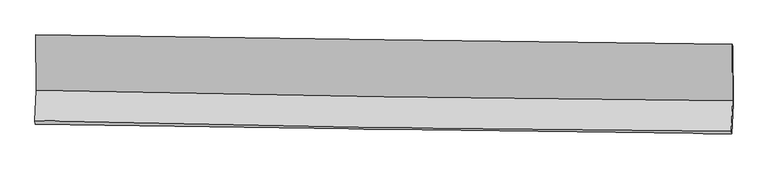
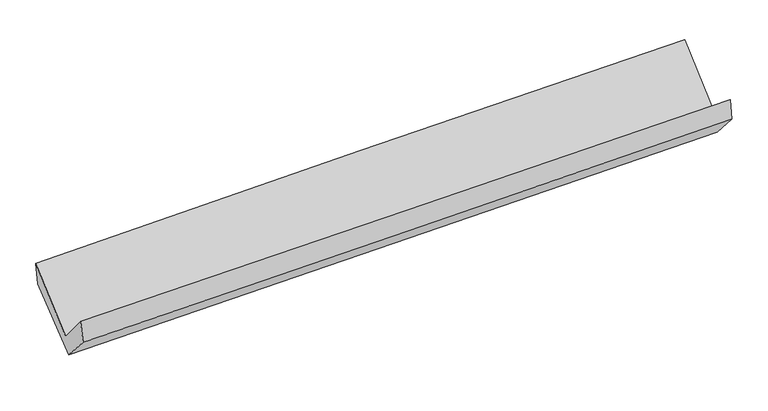
"""IFC4 building model written with IfcOpenShell, lengths in millimetres: proxy geometry."""

from ifc_helpers import new_model, si_unit, frame, origin, place, context, project, spatial, source, transform, mapped, element, save
from ifc_brep_helpers import plane_surface, spline_curve, spline_surface, advanced_brep


def generic_models_2295afde(model_context):
    return source(origin(), model_context, "Body", "AdvancedBrep", [
        advanced_brep(
        [(-3027.4682922, -1183.6363618, 2162.8177204), (-3024.7631484, -1663.5034064, 1730.2011027), (3015.9305013, -1754.6377906, 1874.6737631), (3013.1598387, -1263.1483435, 2317.7683757), (-3036.209944, -1926.4155865, 2041.0140813), (3004.3499187, -2020.6228126, 2189.1194343), (-3032.2681683, -1959.4257684, 1852.1142427), (3008.4145597, -2041.7425048, 2002.8928391), (-3021.6954158, -1706.5505081, 1571.6860343), (3019.1367904, -1785.2920788, 1718.4999199), (-3023.2932776, -1205.8131906, 1971.2137282), (3017.5389286, -1284.5547614, 2118.0276137)],
        [
            (0, 1),
            (1, 2, spline_curve(3, [(-3024.7631484, -1663.5034064, 1730.2011027), (-2018.186307964, -1685.855520102, 1758.153975563), (-1011.5057587, -1704.626116867, 1784.169820035), (1002.058792295, -1735.004216905, 1832.327358321), (2008.94279288, -1746.611747962, 1854.469067218), (3015.9305013, -1754.6377906, 1874.6737631)], [4, 2, 4], [0.0, 9.913358653920362, 19.82667826028467])),
            (2, 3),
            (3, 0, spline_curve(3, [(3013.1598387, -1263.1483435, 2317.7683757), (2006.149083134, -1251.033967228, 2301.249453039), (999.259018843, -1238.350794889, 2280.077471376), (-1014.283692405, -1211.846805313, 2228.427289901), (-2020.936338461, -1198.025983881, 2197.949052879), (-3027.4682922, -1183.6363618, 2162.8177204)], [4, 2, 4], [0.0, 9.913319606364308, 19.82667826028467])),
            (1, 4),
            (4, 5, spline_curve(3, [(-3036.209944, -1926.4155865, 2041.0140813), (-2029.798186008, -1952.55934975, 2073.449416235), (-1023.211327142, -1973.481838821, 2102.009213301), (990.308628825, -2004.884206334, 2151.37763347), (1997.241723757, -2015.36412623, 2172.186287804), (3004.3499187, -2020.6228126, 2189.1194343)], [4, 2, 4], [0.0, 9.913390615306932, 19.826742182931916])),
            (5, 2),
            (4, 6),
            (6, 7, spline_curve(3, [(-3032.2681683, -1959.4257684, 1852.1142427), (-2025.52179565, -1973.619949377, 1878.289493328), (-1018.757390454, -1987.576781198, 1903.942025217), (994.803519256, -2015.015691363, 1954.2015534), (2001.600023442, -2028.49777176, 1978.808553462), (3008.4145597, -2041.7425048, 2002.8928391)], [4, 2, 4], [0.0, 9.913324337755204, 19.82660962808952])),
            (7, 5),
            (6, 8),
            (8, 9, spline_curve(3, [(-3021.6954158, -1706.5505081, 1571.6860343), (-2014.971465927, -1721.280991355, 1598.45602193), (-1008.205815605, -1735.208041981, 1624.075527855), (1005.404920109, -1761.455225726, 1673.013480764), (2012.250005217, -1773.775365372, 1696.331936637), (3019.1367904, -1785.2920788, 1718.4999199)], [4, 2, 4], [0.0, 9.91328921674718, 19.826539386211813])),
            (9, 7),
            (8, 10),
            (10, 11, spline_curve(3, [(-3023.2932776, -1205.8131906, 1971.2137282), (-2016.577653002, -1217.934660742, 2000.065391895), (-1009.816165534, -1230.557207425, 2026.725734082), (1003.794570238, -1256.804401883, 2075.663678537), (2010.643818118, -1270.429045328, 2097.941298164), (3017.5389286, -1284.5547614, 2118.0276137)], [4, 2, 4], [0.0, 9.913302498358536, 19.826565949382207])),
            (11, 9),
            (10, 0),
            (3, 11),
        ],
        [
            spline_surface(3, 3, [[(-3027.4682922, -1183.6363618, 2162.8177204), (-2020.936338486, -1198.025983928, 2197.949052715), (-1014.283692411, -1211.846805394, 2228.427289751), (999.259018849, -1238.350794808, 2280.077471527), (2006.149083055, -1251.033967253, 2301.249452927), (3013.1598387, -1263.1483435, 2317.7683757)], [(-3026.566577585, -1343.592043353, 2018.612181163), (-2020.019661612, -1360.635829341, 2051.350693623), (-1013.357714451, -1376.10657591, 2080.341466527), (1000.192276622, -1403.901935467, 2130.827433777), (2007.080319598, -1416.226560865, 2152.322657651), (3014.083392886, -1426.978159219, 2170.070171488)], [(-3025.664863015, -1503.547724847, 1874.406641937), (-2019.102984783, -1523.245674696, 1904.752334542), (-1012.431736512, -1540.366346448, 1932.255643303), (1001.125534373, -1569.453076149, 1981.577396027), (2008.011556184, -1581.419154422, 2003.39586241), (3015.006947114, -1590.807974881, 2022.371967312)], [(-3024.7631484, -1663.5034064, 1730.2011027), (-2018.186307909, -1685.855520109, 1758.15397545), (-1011.505758551, -1704.626116963, 1784.169820079), (1002.058792146, -1735.004216809, 1832.327358277), (2008.942792728, -1746.611748035, 1854.469067133), (3015.9305013, -1754.6377906, 1874.6737631)]], [4, 4], [4, 2, 4], [0.0, 2.1853236653276813], [0.0, 9.913358653920362, 19.82667826028467]),
            spline_surface(3, 3, [[(-3024.7631484, -1663.5034064, 1730.2011027), (-2018.186307909, -1685.855520109, 1758.15397545), (-1011.505758551, -1704.626116963, 1784.169820079), (1002.058792146, -1735.004216809, 1832.327358277), (2008.942792728, -1746.611748035, 1854.469067133), (3015.9305013, -1754.6377906, 1874.6737631)], [(-3028.578746957, -1751.140799753, 1833.805428906), (-2022.056934014, -1774.756796662, 1863.25245572), (-1015.407614693, -1794.244690927, 1890.116284435), (998.142070986, -1824.964213343, 1938.677450057), (2005.042436398, -1836.195874034, 1960.374807341), (3012.070307125, -1843.299464581, 1979.488986849)], [(-3032.394345443, -1838.778193147, 1937.409755094), (-2025.927560049, -1863.658073257, 1968.350935971), (-1019.309470838, -1883.863264836, 1996.062748795), (994.225349823, -1914.924209821, 2045.027541841), (2001.142079992, -1925.780000091, 2066.280547501), (3008.210112875, -1931.961138619, 2084.304210551)], [(-3036.209944, -1926.4155865, 2041.0140813), (-2029.798186154, -1952.55934981, 2073.44941624), (-1023.21132698, -1973.481838799, 2102.009213151), (990.308628662, -2004.884206355, 2151.377633621), (1997.241723662, -2015.36412609, 2172.186287708), (3004.3499187, -2020.6228126, 2189.1194343)]], [4, 4], [4, 2, 4], [0.0, 1.368954553459223], [0.0, 9.913390615306932, 19.826742182931916]),
            spline_surface(3, 3, [[(-3036.209944, -1926.4155865, 2041.0140813), (-2029.798186154, -1952.55934981, 2073.44941624), (-1023.21132698, -1973.481838799, 2102.009213151), (990.308628662, -2004.884206355, 2151.377633621), (1997.241723662, -2015.36412609, 2172.186287708), (3004.3499187, -2020.6228126, 2189.1194343)], [(-3034.896018739, -1937.418980459, 1978.047468421), (-2028.372722579, -1959.579549705, 2008.396108575), (-1021.726681421, -1978.180152903, 2035.986817202), (991.806925496, -2008.261368027, 2085.652273524), (1998.694490201, -2019.742008033, 2107.727042943), (3005.704799024, -2027.66271, 2127.043902564)], [(-3033.582093561, -1948.422374441, 1915.080855579), (-2026.947259085, -1966.599749622, 1943.342800946), (-1020.242035892, -1982.878467047, 1969.964421244), (993.305222301, -2011.638529738, 2019.926913418), (2000.147256767, -2024.119889976, 2043.267798186), (3007.059679376, -2034.7026074, 2064.968370836)], [(-3032.2681683, -1959.4257684, 1852.1142427), (-2025.52179551, -1973.619949517, 1878.289493282), (-1018.757390333, -1987.576781151, 1903.942025295), (994.803519135, -2015.01569141, 1954.201553321), (2001.600023306, -2028.497771919, 1978.80855342), (3008.4145597, -2041.7425048, 2002.8928391)]], [4, 4], [4, 2, 4], [0.0, 0.6497476371336928], [0.0, 9.913324337755204, 19.82660962808952]),
            spline_surface(3, 3, [[(-3032.2681683, -1959.4257684, 1852.1142427), (-2025.52179551, -1973.619949517, 1878.289493282), (-1018.757390333, -1987.576781151, 1903.942025295), (994.803519135, -2015.01569141, 1954.201553321), (2001.600023306, -2028.497771919, 1978.80855342), (3008.4145597, -2041.7425048, 2002.8928391)], [(-3028.743917485, -1875.13401497, 1758.63817325), (-2022.005018986, -1889.506963481, 1785.011669481), (-1015.240198759, -1903.453868087, 1810.653192831), (998.337319462, -1930.49553623, 1860.472195774), (2005.150017272, -1943.590303136, 1884.649681102), (3011.988636586, -1956.25902948, 1908.095199347)], [(-3025.219666615, -1790.84226153, 1665.16210375), (-2018.488242408, -1805.393977436, 1691.73384563), (-1011.723007185, -1819.330954963, 1717.364360385), (1001.871119788, -1845.975380989, 1766.742838245), (2008.700011281, -1858.682834314, 1790.490808844), (3015.562713514, -1870.77555412, 1813.297559653)], [(-3021.6954158, -1706.5505081, 1571.6860343), (-2014.971465884, -1721.2809914, 1598.456021829), (-1008.205815611, -1735.208041899, 1624.075527921), (1005.404920115, -1761.455225808, 1673.013480698), (2012.250005247, -1773.775365532, 1696.331936525), (3019.1367904, -1785.2920788, 1718.4999199)]], [4, 4], [4, 2, 4], [0.0, 1.2397864083914487], [0.0, 9.91328921674718, 19.826539386211813]),
            spline_surface(3, 3, [[(-3021.6954158, -1706.5505081, 1571.6860343), (-2014.971465884, -1721.2809914, 1598.456021829), (-1008.205815611, -1735.208041899, 1624.075527921), (1005.404920115, -1761.455225808, 1673.013480698), (2012.250005247, -1773.775365532, 1696.331936525), (3019.1367904, -1785.2920788, 1718.4999199)], [(-3022.228036402, -1539.63806895, 1704.861932261), (-2015.506861622, -1553.498881252, 1732.325811849), (-1008.742598914, -1566.991097109, 1758.292263288), (1004.868136823, -1593.238284443, 1807.230213332), (2011.714609521, -1605.99325881, 1830.201723813), (3018.604169798, -1618.37963965, 1851.675817861)], [(-3022.760656998, -1372.72562975, 1838.037830239), (-2016.042257354, -1385.716771053, 1866.195601886), (-1009.279382224, -1398.774152351, 1892.508998654), (1004.331353523, -1425.021343112, 1941.446945965), (2011.1792138, -1438.211152136, 1964.071511016), (3018.071549202, -1451.46720055, 1984.851715739)], [(-3023.2932776, -1205.8131906, 1971.2137282), (-2016.577653092, -1217.934660905, 2000.065391906), (-1009.816165527, -1230.557207561, 2026.725734021), (1003.794570231, -1256.804401747, 2075.663678598), (2010.643818073, -1270.429045414, 2097.941298303), (3017.5389286, -1284.5547614, 2118.0276137)]], [4, 4], [4, 2, 4], [0.0, 2.1181175485894523], [0.0, 9.913302498358536, 19.826565949382207]),
            spline_surface(3, 3, [[(-3023.2932776, -1205.8131906, 1971.2137282), (-2016.577653092, -1217.934660905, 2000.065391906), (-1009.816165527, -1230.557207561, 2026.725734021), (1003.794570231, -1256.804401747, 2075.663678598), (2010.643818073, -1270.429045414, 2097.941298303), (3017.5389286, -1284.5547614, 2118.0276137)], [(-3024.684949132, -1198.420914315, 2035.081725598), (-2018.030548222, -1211.298435228, 2066.026612174), (-1011.305341176, -1224.320406832, 2093.959585935), (1002.28271975, -1250.653199427, 2143.801609579), (2009.145573081, -1263.964019364, 2165.710683168), (3016.079231981, -1277.419288771, 2184.60786769)], [(-3026.076620668, -1191.028638085, 2098.949723002), (-2019.483443356, -1204.662209605, 2131.987832448), (-1012.794516762, -1218.083606124, 2161.193437836), (1000.770869331, -1244.501997128, 2211.939540546), (2007.647328047, -1257.498993302, 2233.480068063), (3014.619535319, -1270.283816129, 2251.18812171)], [(-3027.4682922, -1183.6363618, 2162.8177204), (-2020.936338486, -1198.025983928, 2197.949052715), (-1014.283692411, -1211.846805394, 2228.427289751), (999.259018849, -1238.350794808, 2280.077471527), (2006.149083055, -1251.033967253, 2301.249452927), (3013.1598387, -1263.1483435, 2317.7683757)]], [4, 4], [4, 2, 4], [0.0, 0.6691463524280031], [0.0, 9.913361781617027, 19.82668451566568]),
            plane_surface(frame((3013.0884229, -1691.6663819, 2036.8303243), z_axis=(0.999599476537708, -0.015632575876195157, 0.023590444612492843), x_axis=(-0.0024943375666904768, 0.7816745462040758, 0.6236815550397137))),
            plane_surface(frame((-3027.6163744, -1607.5574703, 1888.1744849), z_axis=(-0.9995994765376827, 0.01563257587707497, -0.023590444612989484), x_axis=(0.021640238410182137, -0.11494854747046382, -0.9931357064953314))),
        ],
        [
            (0, [[1, 2, 3, 4]]),
            (1, [[5, 6, 7, -2]]),
            (2, [[8, 9, 10, -6]]),
            (3, [[11, 12, 13, -9]]),
            (4, [[14, 15, 16, -12]]),
            (5, [[17, -4, 18, -15]]),
            (6, [[-16, -18, -3, -7, -10, -13]]),
            (7, [[-17, -14, -11, -8, -5, -1]]),
        ],
    ),
    ])


if __name__ == "__main__":
    model = new_model("IFC4")
    model_context = context("Model", 3, world=origin())
    ifc_project = project(units=[si_unit("LENGTHUNIT", "METRE", prefix="MILLI")], contexts=[model_context])
    site = spatial("IfcSite", under=ifc_project)
    building = spatial("IfcBuilding", under=site)
    placement = place(None, origin())
    generic_models_shape = generic_models_2295afde(model_context)
    element("IfcBuildingElementProxy", 1, Name="Generic Models", at=placement, inside=building, context=model_context, shape_type="MappedRepresentation", body=[
        mapped(generic_models_shape, transform((0.0, 0.0, 0.0), x_axis=(1.0, 0.0, 0.0), y_axis=(0.0, 1.0, 0.0), z_axis=(0.0, 0.0, 1.0))),
    ])
    save(model, "model.ifc")
